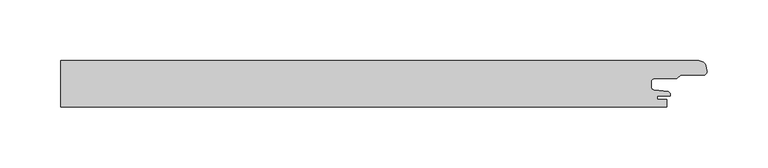
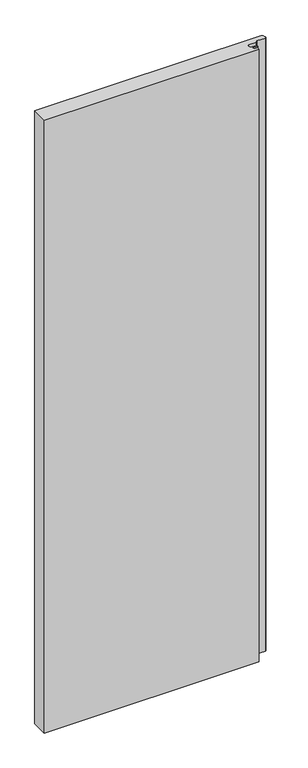
"""IFC4 building model written with IfcOpenShell, lengths in millimetres: proxy geometry."""

from ifc_helpers import new_model, si_unit, point, frame_2d, origin, origin_with_axes, place, context, project, spatial, polyline, circle_curve, trimmed, segment, composite_curve, outline, extrude, source, transform, mapped, element, save


def generic_models_1dff8e56(model_context):
    return source(origin(), model_context, "Body", "SweptSolid", [
        extrude(outline(composite_curve([segment(polyline([(484.3298107, 1.8000001), (484.3298107, -2.7224763)]), True, "CONTINUOUS"), segment(trimmed(circle_curve(frame_2d((487.1582199, -2.4215379)), 2.8443739), [point((484.3298107, -2.7224763))], [point((486.6119534, -5.2129632))], True, "CARTESIAN"), True, "CONTINUOUS"), segment(polyline([(486.6119534, -5.2129632), (498.354128, -6.2402726)]), True, "CONTINUOUS"), segment(trimmed(circle_curve(frame_2d((497.0478272, -8.7794849)), 2.8555247), [point((498.354128, -6.2402726))], [point((499.9, -8.6411684))], False, "CARTESIAN"), True, "CONTINUOUS"), segment(polyline([(499.9, -8.6411684), (499.9, -10.0000004), (489.1798407, -10.0000004), (489.1798407, -13.0), (497.1797973, -13.0), (497.1797973, -19.0), (0.0, -19.0), (0.0, 19.0), (523.545754, 19.0)]), True, "CONTINUOUS"), segment(trimmed(circle_curve(frame_2d((523.545754, 13.15)), 5.85), [point((523.545754, 19.0))], [point((529.0259034, 15.1970619))], False, "CARTESIAN"), True, "CONTINUOUS"), segment(polyline([(529.0259034, 15.1970619), (530.1174781, 10.8771031)]), True, "CONTINUOUS"), segment(trimmed(circle_curve(frame_2d((527.1899828, 10.273035)), 2.9891683), [point((530.1174781, 10.8771031))], [point((527.5001275, 7.3))], False, "CARTESIAN"), True, "CONTINUOUS"), segment(polyline([(527.5001275, 7.3), (508.408237, 7.3), (505.4082234, 4.2999995), (486.8298083, 4.2999995)]), True, "CONTINUOUS"), segment(trimmed(circle_curve(frame_2d((486.8260066, 1.8038036)), 2.4961988), [point((486.8298083, 4.2999995))], [point((484.3298107, 1.8000001))], True, "CARTESIAN"), True, "CONTINUOUS")], self_intersect=False)), origin_with_axes(), (0.0, 0.0, 1.0), 1500.0),
    ])


if __name__ == "__main__":
    model = new_model("IFC4")
    model_context = context("Model", 3, world=origin())
    ifc_project = project(units=[si_unit("LENGTHUNIT", "METRE", prefix="MILLI")], contexts=[model_context])
    site = spatial("IfcSite", under=ifc_project)
    building = spatial("IfcBuilding", under=site)
    placement = place(None, origin())
    generic_models_shape = generic_models_1dff8e56(model_context)
    element("IfcBuildingElementProxy", 1, Name="Generic Models", at=placement, inside=building, context=model_context, shape_type="MappedRepresentation", body=[
        mapped(generic_models_shape, transform((0.0, 0.0, 0.0), x_axis=(1.0, 0.0, 0.0), y_axis=(0.0, 1.0, 0.0), z_axis=(0.0, 0.0, 1.0))),
    ])
    save(model, "model.ifc")
